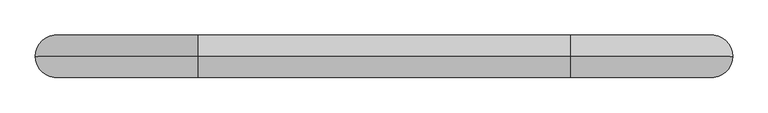
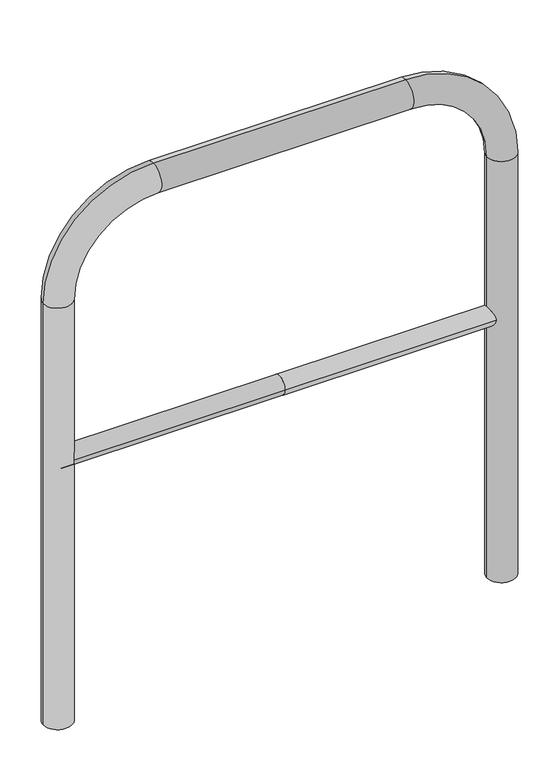
"""IFC4 building model written with IfcOpenShell, lengths in millimetres: proxy geometry."""

from ifc_helpers import new_model, si_unit, point, frame, frame_2d, origin, place, context, project, spatial, circle_curve, ellipse_curve, trimmed, segment, composite_curve, outline, extrude, source, transform, mapped, element, save
from ifc_brep_helpers import plane_surface, cylinder_surface, revolved_surface, advanced_brep


def generic_models_1279158f(model_context):
    return source(origin(), model_context, "Body", "SolidModel", [
        extrude(outline(composite_curve([segment(trimmed(circle_curve(frame_2d((0.0, 498.4778375)), 20.0), [point((-20.0, 498.4778375))], [point((20.0, 498.4778375))], False, "CARTESIAN"), True, "CONTINUOUS"), segment(trimmed(circle_curve(frame_2d((0.0, 498.4778375)), 20.0), [point((20.0, 498.4778375))], [point((-20.0, 498.4778375))], False, "CARTESIAN"), True, "CONTINUOUS")], self_intersect=False)), frame((-463.4029985, 0.0, 0.0), z_axis=(1.0, 0.0, 0.0), x_axis=(0.0, 1.0, 0.0)), (0.0, 0.0, 1.0), 463.4029985),
        extrude(outline(composite_curve([segment(trimmed(circle_curve(frame_2d((0.0, 498.4778375)), 20.0), [point((-20.0, 498.4778375))], [point((20.0, 498.4778375))], False, "CARTESIAN"), True, "CONTINUOUS"), segment(trimmed(circle_curve(frame_2d((0.0, 498.4778375)), 20.0), [point((20.0, 498.4778375))], [point((-20.0, 498.4778375))], False, "CARTESIAN"), True, "CONTINUOUS")], self_intersect=False)), frame((0.0, 0.0, 0.0), z_axis=(1.0, 0.0, 0.0), x_axis=(0.0, 1.0, 0.0)), (0.0, 0.0, 1.0), 463.4029985),
        advanced_brep(
        [(-433.4029985, 0.0, -80.0), (-493.4029985, 0.0, -80.0), (-433.4029985, 0.0, 850.0), (-493.4029985, 0.0, 850.0), (-263.4029985, 0.0, 1080.0), (-263.4029985, 0.0, 1020.0), (263.4029985, 0.0, 1020.0), (263.4029985, 0.0, 1080.0), (493.4029985, 0.0, 850.0), (433.4029985, 0.0, 850.0), (433.4029985, 0.0, -80.0), (493.4029985, 0.0, -80.0)],
        [
            (0, 1, circle_curve(frame((-463.4029985, 0.0, -80.0), z_axis=(0.0, 0.0, -1.0), x_axis=(-1.0, 0.0, 0.0)), 30.0)),
            (1, 0, circle_curve(frame((-463.4029985, 0.0, -80.0), z_axis=(0.0, 0.0, -1.0), x_axis=(-1.0, 0.0, 0.0)), 30.0)),
            (0, 2),
            (2, 3, circle_curve(frame((-463.4029985, 0.0, 850.0), z_axis=(0.0, 0.0, -1.0), x_axis=(-1.0, 0.0, 0.0)), 30.0)),
            (3, 1),
            (3, 2, circle_curve(frame((-463.4029985, 0.0, 850.0), z_axis=(0.0, 0.0, -1.0), x_axis=(-1.0, 0.0, 0.0)), 30.0)),
            (4, 3, circle_curve(frame((-263.4029985, 0.0, 850.0), z_axis=(0.0, -1.0, 0.0), x_axis=(-1.0, 0.0, 0.0)), 230.0)),
            (2, 5, circle_curve(frame((-263.4029985, 0.0, 850.0), z_axis=(0.0, 1.0, 0.0), x_axis=(-1.0, 0.0, 0.0)), 170.0)),
            (5, 4, circle_curve(frame((-263.4029985, 0.0, 1050.0), z_axis=(-1.0, 0.0, 0.0), x_axis=(0.0, 0.0, 1.0)), 30.0)),
            (4, 5, circle_curve(frame((-263.4029985, 0.0, 1050.0), z_axis=(-1.0, 0.0, 0.0), x_axis=(0.0, 0.0, 1.0)), 30.0)),
            (5, 6),
            (6, 7, circle_curve(frame((263.4029985, 0.0, 1050.0), z_axis=(-1.0, 0.0, 0.0), x_axis=(0.0, 0.0, 1.0)), 30.0)),
            (7, 4),
            (7, 6, circle_curve(frame((263.4029985, 0.0, 1050.0), z_axis=(-1.0, 0.0, 0.0), x_axis=(0.0, 0.0, 1.0)), 30.0)),
            (8, 7, circle_curve(frame((263.4029985, 0.0, 850.0), z_axis=(0.0, -1.0, 0.0), x_axis=(0.0, 0.0, 1.0)), 230.0)),
            (6, 9, circle_curve(frame((263.4029985, 0.0, 850.0), z_axis=(0.0, 1.0, 0.0), x_axis=(0.0, 0.0, 1.0)), 170.0)),
            (9, 8, circle_curve(frame((463.4029985, 0.0, 850.0), z_axis=(0.0, 0.0, 1.0), x_axis=(1.0, 0.0, 0.0)), 30.0)),
            (8, 9, circle_curve(frame((463.4029985, 0.0, 850.0), z_axis=(0.0, 0.0, 1.0), x_axis=(1.0, 0.0, 0.0)), 30.0)),
            (10, 11, circle_curve(frame((463.4029985, 0.0, -80.0), z_axis=(0.0, 0.0, -1.0), x_axis=(1.0, 0.0, 0.0)), 30.0)),
            (11, 10, circle_curve(frame((463.4029985, 0.0, -80.0), z_axis=(0.0, 0.0, -1.0), x_axis=(1.0, 0.0, 0.0)), 30.0)),
            (9, 10),
            (11, 8),
        ],
        [
            plane_surface(frame((-463.4029985, 0.0, -80.0), z_axis=(0.0, 0.0, -1.0), x_axis=(0.0, -1.0, 0.0))),
            cylinder_surface(frame((-463.4029985, 0.0, -80.0), z_axis=(0.0, 0.0, -1.0), x_axis=(-1.0, 0.0, 0.0)), 30.0),
            revolved_surface(trimmed(ellipse_curve(frame((-463.4029985, 0.0, 850.0), z_axis=(0.0, 0.0, -1.0), x_axis=(-1.0, 0.0, 0.0)), 30.0, 30.0), [point((-433.4029985, 0.0, 850.0))], [point((-493.4029985, 0.0, 850.0))], True, "CARTESIAN"), (-263.4029985, 0.0, 850.0), (0.0, 1.0, 0.0)),
            revolved_surface(trimmed(ellipse_curve(frame((-463.4029985, 0.0, 850.0), z_axis=(0.0, 0.0, -1.0), x_axis=(-1.0, 0.0, 0.0)), 30.0, 30.0), [point((-493.4029985, 0.0, 850.0))], [point((-433.4029985, 0.0, 850.0))], True, "CARTESIAN"), (-263.4029985, 0.0, 850.0), (0.0, 1.0, 0.0)),
            cylinder_surface(frame((-263.4029985, 0.0, 1050.0), z_axis=(-1.0, 0.0, 0.0), x_axis=(0.0, 0.0, 1.0)), 30.0),
            revolved_surface(trimmed(ellipse_curve(frame((263.4029985, 0.0, 1050.0), z_axis=(-1.0, 0.0, 0.0), x_axis=(0.0, 0.0, 1.0)), 30.0, 30.0), [point((263.4029985, 0.0, 1020.0))], [point((263.4029985, 0.0, 1080.0))], True, "CARTESIAN"), (263.4029985, 0.0, 850.0), (0.0, 1.0, 0.0)),
            revolved_surface(trimmed(ellipse_curve(frame((263.4029985, 0.0, 1050.0), z_axis=(-1.0, 0.0, 0.0), x_axis=(0.0, 0.0, 1.0)), 30.0, 30.0), [point((263.4029985, 0.0, 1080.0))], [point((263.4029985, 0.0, 1020.0))], True, "CARTESIAN"), (263.4029985, 0.0, 850.0), (0.0, 1.0, 0.0)),
            plane_surface(frame((463.4029985, 0.0, -80.0), z_axis=(0.0, 0.0, -1.0), x_axis=(0.0, -1.0, 0.0))),
            cylinder_surface(frame((463.4029985, 0.0, 850.0), z_axis=(0.0, 0.0, 1.0), x_axis=(1.0, 0.0, 0.0)), 30.0),
        ],
        [
            (0, [[1, 2]]),
            (1, [[-1, 3, 4, 5]]),
            (1, [[-2, -5, 6, -3]]),
            (2, [[7, -4, 8, 9]]),
            (3, [[-8, -6, -7, 10]]),
            (4, [[-9, 11, 12, 13]]),
            (4, [[-10, -13, 14, -11]]),
            (5, [[15, -12, 16, 17]]),
            (6, [[-16, -14, -15, 18]]),
            (7, [[19, 20]]),
            (8, [[-17, 21, -20, 22]]),
            (8, [[-18, -22, -19, -21]]),
        ],
    ),
    ])


if __name__ == "__main__":
    model = new_model("IFC4")
    model_context = context("Model", 3, world=origin())
    ifc_project = project(units=[si_unit("LENGTHUNIT", "METRE", prefix="MILLI")], contexts=[model_context])
    site = spatial("IfcSite", under=ifc_project)
    building = spatial("IfcBuilding", under=site)
    placement = place(None, origin())
    generic_models_shape = generic_models_1279158f(model_context)
    element("IfcBuildingElementProxy", 1, Name="Generic Models", at=placement, inside=building, context=model_context, shape_type="MappedRepresentation", body=[
        mapped(generic_models_shape, transform((0.0, 0.0, 0.0), x_axis=(1.0, 0.0, 0.0), y_axis=(0.0, 1.0, 0.0), z_axis=(0.0, 0.0, 1.0))),
    ])
    save(model, "model.ifc")
